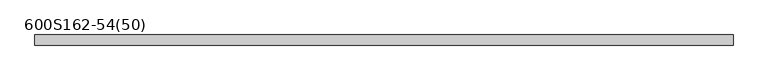
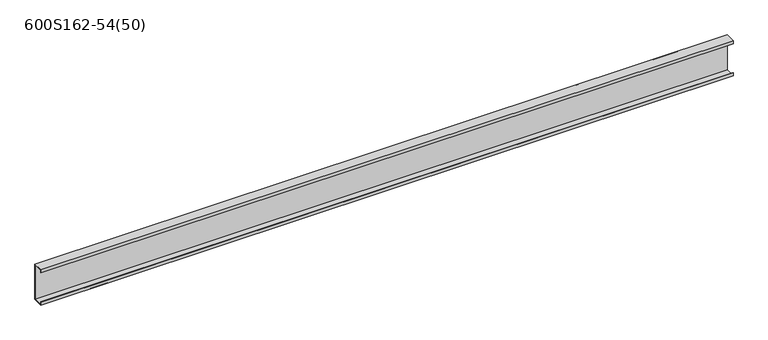
"""IFC4 building model written with IfcOpenShell, lengths in millimetres: member geometry, 600S162-54(50)."""

import ifcopenshell
import ifcopenshell.guid

model = None  # the IFC model being written
_history = None  # IfcOwnerHistory: only IFC2X3 demands one
_inside = {}  # id of a spatial element -> (the spatial element, [elements in it])
_under = {}  # id of a project, library or spatial element -> (it, [spatial elements below it])
_declared = {}  # id of a project -> (the project, [libraries it declares])
_typed = {}  # id of a type object -> (the type object, [elements of that type])
_made_of = {}  # id of a material, layer set ... -> (it, [elements and type objects made of it])


def new_model(schema):
    """Start an empty IFC model of exactly this schema.

    Asked for "IFC4X3", IfcOpenShell would pick the latest addendum, in which some entities
    have other attributes; the version numbers below select the first issue.
    IFC2X3 requires an IfcOwnerHistory on every rooted entity: one is made here for all.
    """
    global model, _history
    if schema == "IFC4X3":
        model = ifcopenshell.file(schema_version=(4, 3, 0, 0))
    else:
        model = ifcopenshell.file(schema=schema)
    _inside.clear()
    _under.clear()
    _declared.clear()
    _typed.clear()
    _made_of.clear()
    _history = None
    if model.schema == "IFC2X3":
        org = make("IfcOrganization", Name="unknown")
        user = make(
            "IfcPersonAndOrganization",
            ThePerson=make("IfcPerson", FamilyName="unknown"),
            TheOrganization=org,
        )
        app = make(
            "IfcApplication",
            ApplicationDeveloper=org,
            Version="unknown",
            ApplicationFullName="unknown",
            ApplicationIdentifier="unknown",
        )
        _history = make(
            "IfcOwnerHistory",
            OwningUser=user,
            OwningApplication=app,
            ChangeAction="ADDED",
            CreationDate=0,
        )
    return model


def make(cls, **values):
    """One entity of the class cls with the attributes given. An attribute that is None is left unset."""
    return model.create_entity(
        cls, **{name: value for name, value in values.items() if value is not None}
    )


def rooted(cls, **values):
    """An entity with a GlobalId (a new one), such as an element, a storey or a relation."""
    return make(cls, GlobalId=ifcopenshell.guid.new(), OwnerHistory=_history, **values)


def si_unit(unit_type, name, prefix=None):
    """IfcSIUnit, for example si_unit("LENGTHUNIT", "METRE", prefix="MILLI")."""
    return make("IfcSIUnit", UnitType=unit_type, Prefix=prefix, Name=name)


def assignment(units):
    """IfcUnitAssignment: the units of a project."""
    return None if units is None else make("IfcUnitAssignment", Units=units)


def point(xyz):
    """IfcCartesianPoint."""
    return None if xyz is None else make("IfcCartesianPoint", Coordinates=xyz)


def direction(xyz):
    """IfcDirection."""
    return None if xyz is None else make("IfcDirection", DirectionRatios=xyz)


def frame(location, z_axis=None, x_axis=None):
    """IfcAxis2Placement3D, a coordinate frame: its origin and axes. An axis left out is left unset."""
    return make(
        "IfcAxis2Placement3D",
        Location=point(location),
        Axis=direction(z_axis),
        RefDirection=direction(x_axis),
    )


def origin():
    """The frame at (0, 0, 0) with its axes left unset."""
    return frame((0.0, 0.0, 0.0))


def place(relative_to, where):
    """IfcLocalPlacement: puts the frame where relative to a parent placement (None: the world)."""
    return make(
        "IfcLocalPlacement", PlacementRelTo=relative_to, RelativePlacement=where
    )


def context(
    kind, dimensions, precision=None, world=None, true_north=None, identifier=None
):
    """IfcGeometricRepresentationContext, for example the 3D "Model" context."""
    return make(
        "IfcGeometricRepresentationContext",
        ContextIdentifier=identifier,
        ContextType=kind,
        CoordinateSpaceDimension=dimensions,
        Precision=precision,
        WorldCoordinateSystem=world,
        TrueNorth=true_north,
    )


def project(units=None, contexts=None):
    """IfcProject with its units and contexts."""
    return rooted(
        "IfcProject",
        Name="project",
        RepresentationContexts=contexts,
        UnitsInContext=assignment(units),
    )


def spatial(cls, under=None, at=None, **own):
    """A site, building, storey or space (cls), placed at a placement, below another one or the project."""
    s = rooted(cls, ObjectPlacement=at, **own)
    if under is not None:
        _under.setdefault(under.id(), (under, []))[1].append(s)
    return s


def polyline(points):
    """IfcPolyline through the points."""
    return make("IfcPolyline", Points=[point(p) for p in points])


def outline(outer, holes=None, kind="AREA"):
    """IfcArbitraryClosedProfileDef: a profile drawn as a closed curve; with holes, ...WithVoids."""
    if holes is None:
        return make("IfcArbitraryClosedProfileDef", ProfileType=kind, OuterCurve=outer)
    return make(
        "IfcArbitraryProfileDefWithVoids",
        ProfileType=kind,
        OuterCurve=outer,
        InnerCurves=holes,
    )


def extrude(swept, where, along, depth):
    """IfcExtrudedAreaSolid: the profile swept, set in the frame where, extruded along a direction by depth."""
    return make(
        "IfcExtrudedAreaSolid",
        SweptArea=swept,
        Position=where,
        ExtrudedDirection=direction(along),
        Depth=depth,
    )


def shape(context_of_items, identifier, shape_type, items):
    """IfcShapeRepresentation: the items that make up one representation, for example the "Body"."""
    return make(
        "IfcShapeRepresentation",
        ContextOfItems=context_of_items,
        RepresentationIdentifier=identifier,
        RepresentationType=shape_type,
        Items=items,
    )


def source(mapping_origin, context_of_items, identifier, shape_type, items):
    """IfcRepresentationMap: a shape defined once, which mapped items show again and again."""
    return make(
        "IfcRepresentationMap",
        MappingOrigin=mapping_origin,
        MappedRepresentation=shape(context_of_items, identifier, shape_type, items),
    )


def transform(
    local_origin,
    x_axis=None,
    y_axis=None,
    z_axis=None,
    scale=None,
    scale2=None,
    scale3=None,
    uniform=True,
):
    """IfcCartesianTransformationOperator3D, or its non-uniform kind. x_axis, y_axis, z_axis: its Axis1, 2, 3."""
    if uniform:
        return make(
            "IfcCartesianTransformationOperator3D",
            Axis1=direction(x_axis),
            Axis2=direction(y_axis),
            LocalOrigin=point(local_origin),
            Scale=scale,
            Axis3=direction(z_axis),
        )
    return make(
        "IfcCartesianTransformationOperator3DnonUniform",
        Axis1=direction(x_axis),
        Axis2=direction(y_axis),
        LocalOrigin=point(local_origin),
        Scale=scale,
        Axis3=direction(z_axis),
        Scale2=scale2,
        Scale3=scale3,
    )


def mapped(mapping_source, mapping_target):
    """IfcMappedItem: shows the shape of a source again, moved by a transform."""
    return make(
        "IfcMappedItem", MappingSource=mapping_source, MappingTarget=mapping_target
    )


def made_of(thing, what):
    """Note that an element or type object is made of a material, layer set ...; save() writes the relation."""
    if what is not None:
        _made_of.setdefault(what.id(), (what, []))[1].append(thing)
    return thing


def element(
    cls,
    number,
    at=None,
    inside=None,
    cuts=None,
    type_object=None,
    material=None,
    context=None,
    identifier="Body",
    shape_type=None,
    held_by="IfcProductDefinitionShape",
    body=None,
    shapes=None,
    **own,
):
    """One element of the class cls, such as IfcWall. Its Tag is "e" and its number.

    at: its placement. inside: the storey or other place that contains it. cuts: it is an
    opening in that element (IfcRelVoidsElement). A single representation is given by context,
    identifier, shape_type and body (its items); several are given by shapes. held_by: the class
    of the entity that holds the representations. save() writes the other relations.
    """
    e = rooted(cls, Tag="e%d" % number, ObjectPlacement=at, **own)
    if body is not None:
        shapes = [shape(context, identifier, shape_type, body)]
    if shapes is not None:
        e.Representation = make(held_by, Representations=shapes)
    if inside is not None:
        _inside.setdefault(inside.id(), (inside, []))[1].append(e)
    if cuts is not None:
        rooted(
            "IfcRelVoidsElement", RelatingBuildingElement=cuts, RelatedOpeningElement=e
        )
    if type_object is not None:
        _typed.setdefault(type_object.id(), (type_object, []))[1].append(e)
    return made_of(e, material)


def aggregate(whole, parts):
    """IfcRelAggregates: a whole, such as a stair, and the parts it consists of."""
    return rooted("IfcRelAggregates", RelatingObject=whole, RelatedObjects=parts)


def save(model, path):
    """Write the relations noted so far, then the file.

    IfcRelAggregates (storeys below a building ...), IfcRelContainedInSpatialStructure (elements
    in a storey), IfcRelDefinesByType, IfcRelAssociatesMaterial and IfcRelDeclares: one each for
    every whole, place, type object, material and project.
    """
    for whole, parts in _under.values():
        aggregate(whole, parts)
    for where, things in _inside.values():
        rooted(
            "IfcRelContainedInSpatialStructure",
            RelatedElements=things,
            RelatingStructure=where,
        )
    for kind, things in _typed.values():
        rooted("IfcRelDefinesByType", RelatedObjects=things, RelatingType=kind)
    for what, things in _made_of.values():
        rooted("IfcRelAssociatesMaterial", RelatedObjects=things, RelatingMaterial=what)
    for by, libraries in _declared.values():
        rooted("IfcRelDeclares", RelatingContext=by, RelatedDefinitions=libraries)
    model.write(path)


def member_600s162_54_50_7ffd4919(model_context):
    return source(origin(), model_context, "Body", "SweptSolid", [
        extrude(outline(polyline([(20.6375, 76.2), (20.6375, -76.2), (-20.6375, -76.2), (-20.6375, -63.5), (-19.2484375, -63.5), (-19.2484375, -74.8109375), (19.2484375, -74.8109375), (19.2484375, 74.8109375), (-19.2484375, 74.8109375), (-19.2484375, 63.5), (-20.6375, 63.5), (-20.6375, 76.2), (20.6375, 76.2)])), frame((-1422.5, 0.0, 0.0), z_axis=(1.0, 0.0, 0.0), x_axis=(0.0, 1.0, 0.0)), (0.0, 0.0, 1.0), 2845.0),
    ])


if __name__ == "__main__":
    model = new_model("IFC4")
    model_context = context("Model", 3, world=origin())
    ifc_project = project(units=[si_unit("LENGTHUNIT", "METRE", prefix="MILLI")], contexts=[model_context])
    site = spatial("IfcSite", under=ifc_project)
    building = spatial("IfcBuilding", under=site)
    placement = place(None, origin())
    member_600s162_54_50_shape = member_600s162_54_50_7ffd4919(model_context)
    element("IfcMember", 1, ObjectType="600S162-54(50)", at=placement, inside=building, context=model_context, shape_type="MappedRepresentation", body=[
        mapped(member_600s162_54_50_shape, transform((0.0, 0.0, 0.0), x_axis=(1.0, 0.0, 0.0), y_axis=(0.0, 1.0, 0.0), z_axis=(0.0, 0.0, 1.0))),
    ])
    save(model, "model.ifc")
